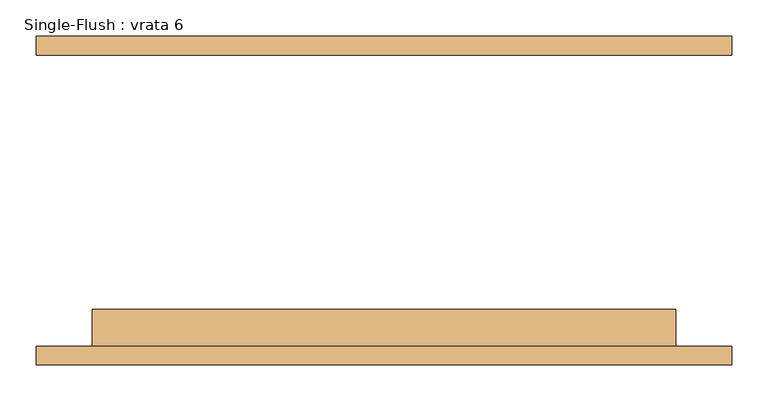
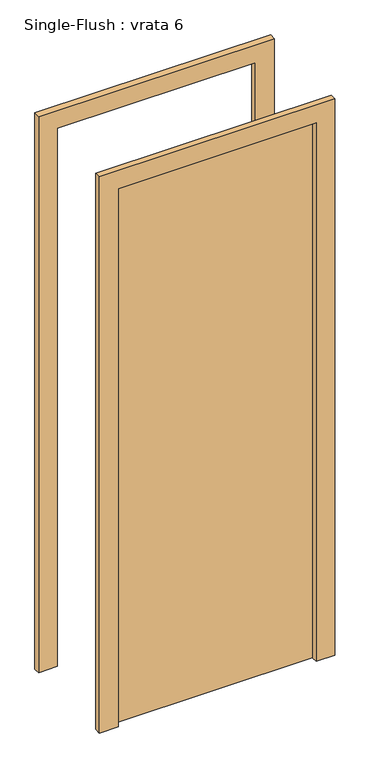
"""IFC4 building model written with IfcOpenShell, lengths in millimetres: door geometry, Single-Flush : vrata 6."""

from ifc_helpers import new_model, si_unit, frame, origin, origin_with_axes, place, context, project, spatial, polyline, outline, extrude, source, transform, mapped, element, save


def single_flush_vrata_6_c2c828d9(model_context):
    return source(origin(), model_context, "Body", "SweptSolid", [
        extrude(outline(polyline([(2376.2, -476.2), (0.0, -476.2), (0.0, -400.0), (2300.0, -400.0), (2300.0, 400.0), (0.0, 400.0), (0.0, 476.2), (2376.2, 476.2), (2376.2, -476.2)])), frame((0.0, -225.4, 0.0), z_axis=(0.0, 1.0, 0.0), x_axis=(0.0, 0.0, 1.0)), (0.0, 0.0, 1.0), 25.4),
        extrude(outline(polyline([(2376.2, 476.2), (2376.2, -476.2), (0.0, -476.2), (0.0, -400.0), (2300.0, -400.0), (2300.0, 400.0), (0.0, 400.0), (0.0, 476.2), (2376.2, 476.2)])), frame((0.0, 200.0, 0.0), z_axis=(0.0, 1.0, 0.0), x_axis=(0.0, 0.0, 1.0)), (0.0, 0.0, 1.0), 25.4),
        extrude(outline(polyline([(400.0, -149.2), (400.0, -200.0), (-400.0, -200.0), (-400.0, -149.2), (400.0, -149.2)])), origin_with_axes(), (0.0, 0.0, 1.0), 2300.0),
    ])


if __name__ == "__main__":
    model = new_model("IFC4")
    model_context = context("Model", 3, world=origin())
    ifc_project = project(units=[si_unit("LENGTHUNIT", "METRE", prefix="MILLI")], contexts=[model_context])
    site = spatial("IfcSite", under=ifc_project)
    building = spatial("IfcBuilding", under=site)
    placement = place(None, origin())
    single_flush_vrata_6_shape = single_flush_vrata_6_c2c828d9(model_context)
    element("IfcDoor", 1, ObjectType="Single-Flush : vrata 6", at=placement, inside=building, context=model_context, shape_type="MappedRepresentation", body=[
        mapped(single_flush_vrata_6_shape, transform((0.0, 0.0, 0.0), x_axis=(1.0, 0.0, 0.0), y_axis=(0.0, 1.0, 0.0), z_axis=(0.0, 0.0, 1.0))),
    ])
    save(model, "model.ifc")
